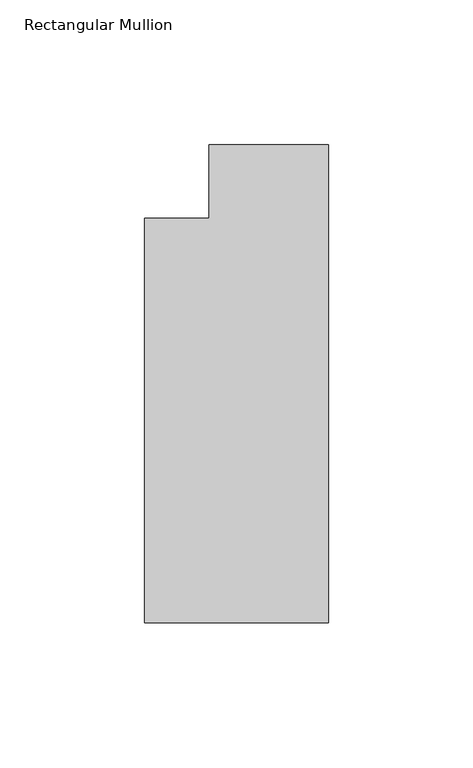
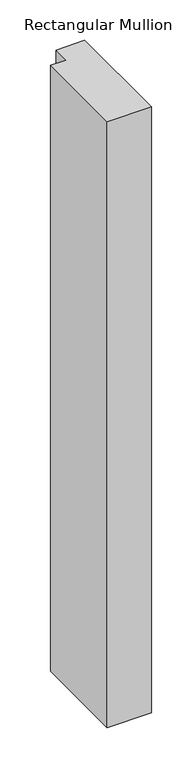
"""IFC4 building model written with IfcOpenShell, lengths in millimetres: member geometry, Rectangular Mullion."""

import ifcopenshell
import ifcopenshell.guid

model = None  # the IFC model being written
_history = None  # IfcOwnerHistory: only IFC2X3 demands one
_inside = {}  # id of a spatial element -> (the spatial element, [elements in it])
_under = {}  # id of a project, library or spatial element -> (it, [spatial elements below it])
_declared = {}  # id of a project -> (the project, [libraries it declares])
_typed = {}  # id of a type object -> (the type object, [elements of that type])
_made_of = {}  # id of a material, layer set ... -> (it, [elements and type objects made of it])


def new_model(schema):
    """Start an empty IFC model of exactly this schema.

    Asked for "IFC4X3", IfcOpenShell would pick the latest addendum, in which some entities
    have other attributes; the version numbers below select the first issue.
    IFC2X3 requires an IfcOwnerHistory on every rooted entity: one is made here for all.
    """
    global model, _history
    if schema == "IFC4X3":
        model = ifcopenshell.file(schema_version=(4, 3, 0, 0))
    else:
        model = ifcopenshell.file(schema=schema)
    _inside.clear()
    _under.clear()
    _declared.clear()
    _typed.clear()
    _made_of.clear()
    _history = None
    if model.schema == "IFC2X3":
        org = make("IfcOrganization", Name="unknown")
        user = make(
            "IfcPersonAndOrganization",
            ThePerson=make("IfcPerson", FamilyName="unknown"),
            TheOrganization=org,
        )
        app = make(
            "IfcApplication",
            ApplicationDeveloper=org,
            Version="unknown",
            ApplicationFullName="unknown",
            ApplicationIdentifier="unknown",
        )
        _history = make(
            "IfcOwnerHistory",
            OwningUser=user,
            OwningApplication=app,
            ChangeAction="ADDED",
            CreationDate=0,
        )
    return model


def make(cls, **values):
    """One entity of the class cls with the attributes given. An attribute that is None is left unset."""
    return model.create_entity(
        cls, **{name: value for name, value in values.items() if value is not None}
    )


def rooted(cls, **values):
    """An entity with a GlobalId (a new one), such as an element, a storey or a relation."""
    return make(cls, GlobalId=ifcopenshell.guid.new(), OwnerHistory=_history, **values)


def si_unit(unit_type, name, prefix=None):
    """IfcSIUnit, for example si_unit("LENGTHUNIT", "METRE", prefix="MILLI")."""
    return make("IfcSIUnit", UnitType=unit_type, Prefix=prefix, Name=name)


def assignment(units):
    """IfcUnitAssignment: the units of a project."""
    return None if units is None else make("IfcUnitAssignment", Units=units)


def point(xyz):
    """IfcCartesianPoint."""
    return None if xyz is None else make("IfcCartesianPoint", Coordinates=xyz)


def direction(xyz):
    """IfcDirection."""
    return None if xyz is None else make("IfcDirection", DirectionRatios=xyz)


def frame(location, z_axis=None, x_axis=None):
    """IfcAxis2Placement3D, a coordinate frame: its origin and axes. An axis left out is left unset."""
    return make(
        "IfcAxis2Placement3D",
        Location=point(location),
        Axis=direction(z_axis),
        RefDirection=direction(x_axis),
    )


def origin():
    """The frame at (0, 0, 0) with its axes left unset."""
    return frame((0.0, 0.0, 0.0))


def place(relative_to, where):
    """IfcLocalPlacement: puts the frame where relative to a parent placement (None: the world)."""
    return make(
        "IfcLocalPlacement", PlacementRelTo=relative_to, RelativePlacement=where
    )


def context(
    kind, dimensions, precision=None, world=None, true_north=None, identifier=None
):
    """IfcGeometricRepresentationContext, for example the 3D "Model" context."""
    return make(
        "IfcGeometricRepresentationContext",
        ContextIdentifier=identifier,
        ContextType=kind,
        CoordinateSpaceDimension=dimensions,
        Precision=precision,
        WorldCoordinateSystem=world,
        TrueNorth=true_north,
    )


def project(units=None, contexts=None):
    """IfcProject with its units and contexts."""
    return rooted(
        "IfcProject",
        Name="project",
        RepresentationContexts=contexts,
        UnitsInContext=assignment(units),
    )


def spatial(cls, under=None, at=None, **own):
    """A site, building, storey or space (cls), placed at a placement, below another one or the project."""
    s = rooted(cls, ObjectPlacement=at, **own)
    if under is not None:
        _under.setdefault(under.id(), (under, []))[1].append(s)
    return s


def polyline(points):
    """IfcPolyline through the points."""
    return make("IfcPolyline", Points=[point(p) for p in points])


def outline(outer, holes=None, kind="AREA"):
    """IfcArbitraryClosedProfileDef: a profile drawn as a closed curve; with holes, ...WithVoids."""
    if holes is None:
        return make("IfcArbitraryClosedProfileDef", ProfileType=kind, OuterCurve=outer)
    return make(
        "IfcArbitraryProfileDefWithVoids",
        ProfileType=kind,
        OuterCurve=outer,
        InnerCurves=holes,
    )


def extrude(swept, where, along, depth):
    """IfcExtrudedAreaSolid: the profile swept, set in the frame where, extruded along a direction by depth."""
    return make(
        "IfcExtrudedAreaSolid",
        SweptArea=swept,
        Position=where,
        ExtrudedDirection=direction(along),
        Depth=depth,
    )


def shape(context_of_items, identifier, shape_type, items):
    """IfcShapeRepresentation: the items that make up one representation, for example the "Body"."""
    return make(
        "IfcShapeRepresentation",
        ContextOfItems=context_of_items,
        RepresentationIdentifier=identifier,
        RepresentationType=shape_type,
        Items=items,
    )


def source(mapping_origin, context_of_items, identifier, shape_type, items):
    """IfcRepresentationMap: a shape defined once, which mapped items show again and again."""
    return make(
        "IfcRepresentationMap",
        MappingOrigin=mapping_origin,
        MappedRepresentation=shape(context_of_items, identifier, shape_type, items),
    )


def transform(
    local_origin,
    x_axis=None,
    y_axis=None,
    z_axis=None,
    scale=None,
    scale2=None,
    scale3=None,
    uniform=True,
):
    """IfcCartesianTransformationOperator3D, or its non-uniform kind. x_axis, y_axis, z_axis: its Axis1, 2, 3."""
    if uniform:
        return make(
            "IfcCartesianTransformationOperator3D",
            Axis1=direction(x_axis),
            Axis2=direction(y_axis),
            LocalOrigin=point(local_origin),
            Scale=scale,
            Axis3=direction(z_axis),
        )
    return make(
        "IfcCartesianTransformationOperator3DnonUniform",
        Axis1=direction(x_axis),
        Axis2=direction(y_axis),
        LocalOrigin=point(local_origin),
        Scale=scale,
        Axis3=direction(z_axis),
        Scale2=scale2,
        Scale3=scale3,
    )


def mapped(mapping_source, mapping_target):
    """IfcMappedItem: shows the shape of a source again, moved by a transform."""
    return make(
        "IfcMappedItem", MappingSource=mapping_source, MappingTarget=mapping_target
    )


def made_of(thing, what):
    """Note that an element or type object is made of a material, layer set ...; save() writes the relation."""
    if what is not None:
        _made_of.setdefault(what.id(), (what, []))[1].append(thing)
    return thing


def element(
    cls,
    number,
    at=None,
    inside=None,
    cuts=None,
    type_object=None,
    material=None,
    context=None,
    identifier="Body",
    shape_type=None,
    held_by="IfcProductDefinitionShape",
    body=None,
    shapes=None,
    **own,
):
    """One element of the class cls, such as IfcWall. Its Tag is "e" and its number.

    at: its placement. inside: the storey or other place that contains it. cuts: it is an
    opening in that element (IfcRelVoidsElement). A single representation is given by context,
    identifier, shape_type and body (its items); several are given by shapes. held_by: the class
    of the entity that holds the representations. save() writes the other relations.
    """
    e = rooted(cls, Tag="e%d" % number, ObjectPlacement=at, **own)
    if body is not None:
        shapes = [shape(context, identifier, shape_type, body)]
    if shapes is not None:
        e.Representation = make(held_by, Representations=shapes)
    if inside is not None:
        _inside.setdefault(inside.id(), (inside, []))[1].append(e)
    if cuts is not None:
        rooted(
            "IfcRelVoidsElement", RelatingBuildingElement=cuts, RelatedOpeningElement=e
        )
    if type_object is not None:
        _typed.setdefault(type_object.id(), (type_object, []))[1].append(e)
    return made_of(e, material)


def aggregate(whole, parts):
    """IfcRelAggregates: a whole, such as a stair, and the parts it consists of."""
    return rooted("IfcRelAggregates", RelatingObject=whole, RelatedObjects=parts)


def save(model, path):
    """Write the relations noted so far, then the file.

    IfcRelAggregates (storeys below a building ...), IfcRelContainedInSpatialStructure (elements
    in a storey), IfcRelDefinesByType, IfcRelAssociatesMaterial and IfcRelDeclares: one each for
    every whole, place, type object, material and project.
    """
    for whole, parts in _under.values():
        aggregate(whole, parts)
    for where, things in _inside.values():
        rooted(
            "IfcRelContainedInSpatialStructure",
            RelatedElements=things,
            RelatingStructure=where,
        )
    for kind, things in _typed.values():
        rooted("IfcRelDefinesByType", RelatedObjects=things, RelatingType=kind)
    for what, things in _made_of.values():
        rooted("IfcRelAssociatesMaterial", RelatedObjects=things, RelatingMaterial=what)
    for by, libraries in _declared.values():
        rooted("IfcRelDeclares", RelatingContext=by, RelatedDefinitions=libraries)
    model.write(path)


def rectangular_mullion_144bcc72(model_context):
    return source(origin(), model_context, "Body", "SweptSolid", [
        extrude(outline(polyline([(-63.5001132, -190.5380397), (-63.5001132, -50.8380447), (-41.2751132, -50.8380447), (-41.2751132, -25.4380447), (0.0, -25.4380447), (0.0, -190.5380397), (-63.5001132, -190.5380397)])), frame((0.0, 0.0, -914.4), z_axis=(0.0, 0.0, 1.0), x_axis=(1.0, 0.0, 0.0)), (0.0, 0.0, 1.0), 914.4),
    ])


if __name__ == "__main__":
    model = new_model("IFC4")
    model_context = context("Model", 3, world=origin())
    ifc_project = project(units=[si_unit("LENGTHUNIT", "METRE", prefix="MILLI")], contexts=[model_context])
    site = spatial("IfcSite", under=ifc_project)
    building = spatial("IfcBuilding", under=site)
    placement = place(None, origin())
    rectangular_mullion_shape = rectangular_mullion_144bcc72(model_context)
    element("IfcMember", 1, ObjectType="Rectangular Mullion", at=placement, inside=building, context=model_context, shape_type="MappedRepresentation", body=[
        mapped(rectangular_mullion_shape, transform((0.0, 0.0, 0.0), x_axis=(1.0, 0.0, 0.0), y_axis=(0.0, 1.0, 0.0), z_axis=(0.0, 0.0, 1.0))),
    ])
    save(model, "model.ifc")
